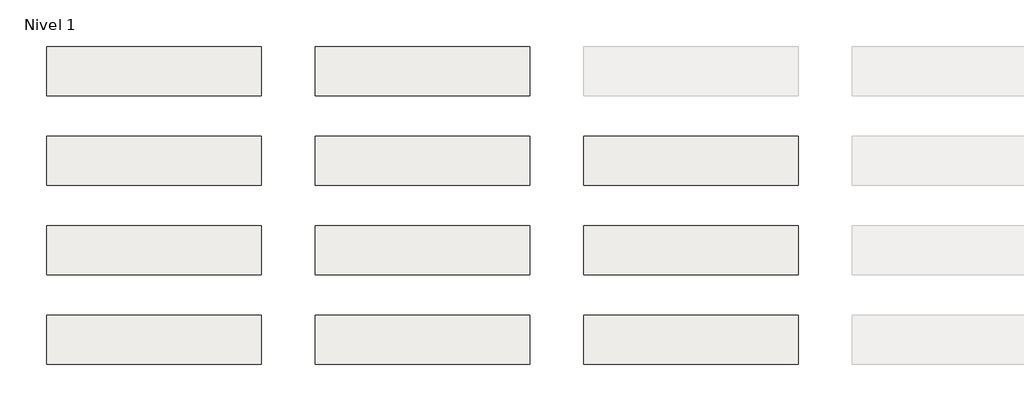
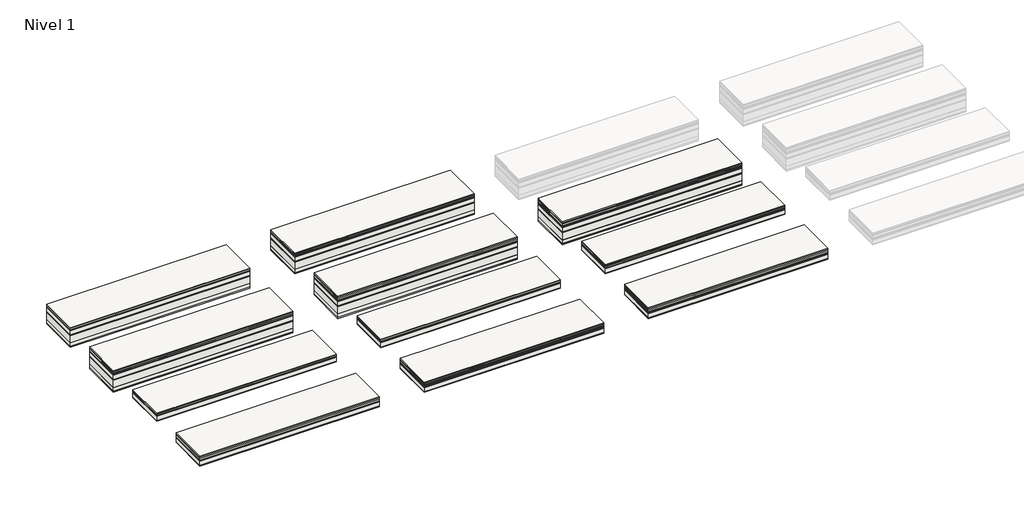
# One storey, part 1 of 2: 11 slabs.
"""IFC4 building model written with IfcOpenShell, lengths in millimetres."""

import ifcopenshell
import ifcopenshell.guid

model = None  # the IFC model being written
_history = None  # IfcOwnerHistory: only IFC2X3 demands one
_inside = {}  # id of a spatial element -> (the spatial element, [elements in it])
_under = {}  # id of a project, library or spatial element -> (it, [spatial elements below it])
_declared = {}  # id of a project -> (the project, [libraries it declares])
_typed = {}  # id of a type object -> (the type object, [elements of that type])
_made_of = {}  # id of a material, layer set ... -> (it, [elements and type objects made of it])


def new_model(schema):
    """Start an empty IFC model of exactly this schema.

    Asked for "IFC4X3", IfcOpenShell would pick the latest addendum, in which some entities
    have other attributes; the version numbers below select the first issue.
    IFC2X3 requires an IfcOwnerHistory on every rooted entity: one is made here for all.
    """
    global model, _history
    if schema == "IFC4X3":
        model = ifcopenshell.file(schema_version=(4, 3, 0, 0))
    else:
        model = ifcopenshell.file(schema=schema)
    _inside.clear()
    _under.clear()
    _declared.clear()
    _typed.clear()
    _made_of.clear()
    _history = None
    if model.schema == "IFC2X3":
        org = make("IfcOrganization", Name="unknown")
        user = make(
            "IfcPersonAndOrganization",
            ThePerson=make("IfcPerson", FamilyName="unknown"),
            TheOrganization=org,
        )
        app = make(
            "IfcApplication",
            ApplicationDeveloper=org,
            Version="unknown",
            ApplicationFullName="unknown",
            ApplicationIdentifier="unknown",
        )
        _history = make(
            "IfcOwnerHistory",
            OwningUser=user,
            OwningApplication=app,
            ChangeAction="ADDED",
            CreationDate=0,
        )
    return model


def make(cls, **values):
    """One entity of the class cls with the attributes given. An attribute that is None is left unset."""
    return model.create_entity(
        cls, **{name: value for name, value in values.items() if value is not None}
    )


def rooted(cls, **values):
    """An entity with a GlobalId (a new one), such as an element, a storey or a relation."""
    return make(cls, GlobalId=ifcopenshell.guid.new(), OwnerHistory=_history, **values)


def si_unit(unit_type, name, prefix=None):
    """IfcSIUnit, for example si_unit("LENGTHUNIT", "METRE", prefix="MILLI")."""
    return make("IfcSIUnit", UnitType=unit_type, Prefix=prefix, Name=name)


def assignment(units):
    """IfcUnitAssignment: the units of a project."""
    return None if units is None else make("IfcUnitAssignment", Units=units)


def point(xyz):
    """IfcCartesianPoint."""
    return None if xyz is None else make("IfcCartesianPoint", Coordinates=xyz)


def direction(xyz):
    """IfcDirection."""
    return None if xyz is None else make("IfcDirection", DirectionRatios=xyz)


def frame(location, z_axis=None, x_axis=None):
    """IfcAxis2Placement3D, a coordinate frame: its origin and axes. An axis left out is left unset."""
    return make(
        "IfcAxis2Placement3D",
        Location=point(location),
        Axis=direction(z_axis),
        RefDirection=direction(x_axis),
    )


def origin():
    """The frame at (0, 0, 0) with its axes left unset."""
    return frame((0.0, 0.0, 0.0))


def place(relative_to, where):
    """IfcLocalPlacement: puts the frame where relative to a parent placement (None: the world)."""
    return make(
        "IfcLocalPlacement", PlacementRelTo=relative_to, RelativePlacement=where
    )


def context(
    kind, dimensions, precision=None, world=None, true_north=None, identifier=None
):
    """IfcGeometricRepresentationContext, for example the 3D "Model" context."""
    return make(
        "IfcGeometricRepresentationContext",
        ContextIdentifier=identifier,
        ContextType=kind,
        CoordinateSpaceDimension=dimensions,
        Precision=precision,
        WorldCoordinateSystem=world,
        TrueNorth=true_north,
    )


def project(units=None, contexts=None):
    """IfcProject with its units and contexts."""
    return rooted(
        "IfcProject",
        Name="project",
        RepresentationContexts=contexts,
        UnitsInContext=assignment(units),
    )


def spatial(cls, under=None, at=None, **own):
    """A site, building, storey or space (cls), placed at a placement, below another one or the project."""
    s = rooted(cls, ObjectPlacement=at, **own)
    if under is not None:
        _under.setdefault(under.id(), (under, []))[1].append(s)
    return s


def polyline(points):
    """IfcPolyline through the points."""
    return make("IfcPolyline", Points=[point(p) for p in points])


def outline(outer, holes=None, kind="AREA"):
    """IfcArbitraryClosedProfileDef: a profile drawn as a closed curve; with holes, ...WithVoids."""
    if holes is None:
        return make("IfcArbitraryClosedProfileDef", ProfileType=kind, OuterCurve=outer)
    return make(
        "IfcArbitraryProfileDefWithVoids",
        ProfileType=kind,
        OuterCurve=outer,
        InnerCurves=holes,
    )


def extrude(swept, where, along, depth):
    """IfcExtrudedAreaSolid: the profile swept, set in the frame where, extruded along a direction by depth."""
    return make(
        "IfcExtrudedAreaSolid",
        SweptArea=swept,
        Position=where,
        ExtrudedDirection=direction(along),
        Depth=depth,
    )


def shape(context_of_items, identifier, shape_type, items):
    """IfcShapeRepresentation: the items that make up one representation, for example the "Body"."""
    return make(
        "IfcShapeRepresentation",
        ContextOfItems=context_of_items,
        RepresentationIdentifier=identifier,
        RepresentationType=shape_type,
        Items=items,
    )


def made_of(thing, what):
    """Note that an element or type object is made of a material, layer set ...; save() writes the relation."""
    if what is not None:
        _made_of.setdefault(what.id(), (what, []))[1].append(thing)
    return thing


def element(
    cls,
    number,
    at=None,
    inside=None,
    cuts=None,
    type_object=None,
    material=None,
    context=None,
    identifier="Body",
    shape_type=None,
    held_by="IfcProductDefinitionShape",
    body=None,
    shapes=None,
    **own,
):
    """One element of the class cls, such as IfcWall. Its Tag is "e" and its number.

    at: its placement. inside: the storey or other place that contains it. cuts: it is an
    opening in that element (IfcRelVoidsElement). A single representation is given by context,
    identifier, shape_type and body (its items); several are given by shapes. held_by: the class
    of the entity that holds the representations. save() writes the other relations.
    """
    e = rooted(cls, Tag="e%d" % number, ObjectPlacement=at, **own)
    if body is not None:
        shapes = [shape(context, identifier, shape_type, body)]
    if shapes is not None:
        e.Representation = make(held_by, Representations=shapes)
    if inside is not None:
        _inside.setdefault(inside.id(), (inside, []))[1].append(e)
    if cuts is not None:
        rooted(
            "IfcRelVoidsElement", RelatingBuildingElement=cuts, RelatedOpeningElement=e
        )
    if type_object is not None:
        _typed.setdefault(type_object.id(), (type_object, []))[1].append(e)
    return made_of(e, material)


def aggregate(whole, parts):
    """IfcRelAggregates: a whole, such as a stair, and the parts it consists of."""
    return rooted("IfcRelAggregates", RelatingObject=whole, RelatedObjects=parts)


def save(model, path):
    """Write the relations noted so far, then the file.

    IfcRelAggregates (storeys below a building ...), IfcRelContainedInSpatialStructure (elements
    in a storey), IfcRelDefinesByType, IfcRelAssociatesMaterial and IfcRelDeclares: one each for
    every whole, place, type object, material and project.
    """
    for whole, parts in _under.values():
        aggregate(whole, parts)
    for where, things in _inside.values():
        rooted(
            "IfcRelContainedInSpatialStructure",
            RelatedElements=things,
            RelatingStructure=where,
        )
    for kind, things in _typed.values():
        rooted("IfcRelDefinesByType", RelatedObjects=things, RelatingType=kind)
    for what, things in _made_of.values():
        rooted("IfcRelAssociatesMaterial", RelatedObjects=things, RelatingMaterial=what)
    for by, libraries in _declared.values():
        rooted("IfcRelDeclares", RelatingContext=by, RelatedDefinitions=libraries)
    model.write(path)


model = new_model("IFC4")

# Units and contexts
model_context = context("Model", 3, world=origin())
ifc_project = project(units=[si_unit("LENGTHUNIT", "METRE", prefix="MILLI")], contexts=[model_context])

# Site, building, storey
site = spatial("IfcSite", under=ifc_project)
building = spatial("IfcBuilding", under=site)
storey = spatial("IfcBuildingStorey", under=building, Name="Nivel 1", Elevation=0.0)

# Slabs
placement = place(None, origin())
element("IfcSlab", 1, at=placement, inside=storey, context=model_context, shape_type="SweptSolid", body=[
    extrude(outline(polyline([(1184.4345966, -2901.6608764), (1184.4345966, -3451.6608764), (-1215.5654034, -3451.6608764), (-1215.5654034, -2901.6608764), (1184.4345966, -2901.6608764)])), frame((0.0, 0.0, -10.0), z_axis=(0.0, 0.0, 1.0), x_axis=(1.0, 0.0, 0.0)), (0.0, 0.0, 1.0), 10.0),
    extrude(outline(polyline([(1184.4345966, -2901.6608764), (1184.4345966, -3451.6608764), (-1215.5654034, -3451.6608764), (-1215.5654034, -2901.6608764), (1184.4345966, -2901.6608764)])), frame((0.0, 0.0, -30.0), z_axis=(0.0, 0.0, 1.0), x_axis=(1.0, 0.0, 0.0)), (0.0, 0.0, 1.0), 20.0),
    extrude(outline(polyline([(1184.4345966, -2901.6608764), (1184.4345966, -3451.6608764), (-1215.5654034, -3451.6608764), (-1215.5654034, -2901.6608764), (1184.4345966, -2901.6608764)])), frame((0.0, 0.0, -42.5), z_axis=(0.0, 0.0, 1.0), x_axis=(1.0, 0.0, 0.0)), (0.0, 0.0, 1.0), 12.5),
    extrude(outline(polyline([(1184.4345966, -2901.6608764), (1184.4345966, -3451.6608764), (-1215.5654034, -3451.6608764), (-1215.5654034, -2901.6608764), (1184.4345966, -2901.6608764)])), frame((0.0, 0.0, -102.5), z_axis=(0.0, 0.0, 1.0), x_axis=(1.0, 0.0, 0.0)), (0.0, 0.0, 1.0), 60.0),
    extrude(outline(polyline([(1184.4345966, -2901.6608764), (1184.4345966, -3451.6608764), (-1215.5654034, -3451.6608764), (-1215.5654034, -2901.6608764), (1184.4345966, -2901.6608764)])), frame((0.0, 0.0, -115.0), z_axis=(0.0, 0.0, 1.0), x_axis=(1.0, 0.0, 0.0)), (0.0, 0.0, 1.0), 12.5),
    extrude(outline(polyline([(1184.4345966, -2901.6608764), (1184.4345966, -3451.6608764), (-1215.5654034, -3451.6608764), (-1215.5654034, -2901.6608764), (1184.4345966, -2901.6608764)])), frame((0.0, 0.0, -215.0), z_axis=(0.0, 0.0, 1.0), x_axis=(1.0, 0.0, 0.0)), (0.0, 0.0, 1.0), 100.0),
    extrude(outline(polyline([(1184.4345966, -2901.6608764), (1184.4345966, -3451.6608764), (-1215.5654034, -3451.6608764), (-1215.5654034, -2901.6608764), (1184.4345966, -2901.6608764)])), frame((0.0, 0.0, -265.0), z_axis=(0.0, 0.0, 1.0), x_axis=(1.0, 0.0, 0.0)), (0.0, 0.0, 1.0), 50.0),
    extrude(outline(polyline([(1184.4345966, -2901.6608764), (1184.4345966, -3451.6608764), (-1215.5654034, -3451.6608764), (-1215.5654034, -2901.6608764), (1184.4345966, -2901.6608764)])), frame((0.0, 0.0, -280.0), z_axis=(0.0, 0.0, 1.0), x_axis=(1.0, 0.0, 0.0)), (0.0, 0.0, 1.0), 15.0),
])
element("IfcSlab", 2, at=placement, inside=storey, context=model_context, shape_type="SweptSolid", body=[
    extrude(outline(polyline([(1184.4345966, -3901.6608764), (1184.4345966, -4451.6608764), (-1215.5654034, -4451.6608764), (-1215.5654034, -3901.6608764), (1184.4345966, -3901.6608764)])), frame((0.0, 0.0, -15.0), z_axis=(0.0, 0.0, 1.0), x_axis=(1.0, 0.0, 0.0)), (0.0, 0.0, 1.0), 15.0),
    extrude(outline(polyline([(1184.4345966, -3901.6608764), (1184.4345966, -4451.6608764), (-1215.5654034, -4451.6608764), (-1215.5654034, -3901.6608764), (1184.4345966, -3901.6608764)])), frame((0.0, 0.0, -55.0), z_axis=(0.0, 0.0, 1.0), x_axis=(1.0, 0.0, 0.0)), (0.0, 0.0, 1.0), 20.0),
    extrude(outline(polyline([(1184.4345966, -3901.6608764), (1184.4345966, -4451.6608764), (-1215.5654034, -4451.6608764), (-1215.5654034, -3901.6608764), (1184.4345966, -3901.6608764)])), frame((0.0, 0.0, -67.5), z_axis=(0.0, 0.0, 1.0), x_axis=(1.0, 0.0, 0.0)), (0.0, 0.0, 1.0), 12.5),
    extrude(outline(polyline([(1184.4345966, -3901.6608764), (1184.4345966, -4451.6608764), (-1215.5654034, -4451.6608764), (-1215.5654034, -3901.6608764), (1184.4345966, -3901.6608764)])), frame((0.0, 0.0, -127.5), z_axis=(0.0, 0.0, 1.0), x_axis=(1.0, 0.0, 0.0)), (0.0, 0.0, 1.0), 60.0),
    extrude(outline(polyline([(1184.4345966, -3901.6608764), (1184.4345966, -4451.6608764), (-1215.5654034, -4451.6608764), (-1215.5654034, -3901.6608764), (1184.4345966, -3901.6608764)])), frame((0.0, 0.0, -140.0), z_axis=(0.0, 0.0, 1.0), x_axis=(1.0, 0.0, 0.0)), (0.0, 0.0, 1.0), 12.5),
    extrude(outline(polyline([(1184.4345966, -3901.6608764), (1184.4345966, -4451.6608764), (-1215.5654034, -4451.6608764), (-1215.5654034, -3901.6608764), (1184.4345966, -3901.6608764)])), frame((0.0, 0.0, -240.0), z_axis=(0.0, 0.0, 1.0), x_axis=(1.0, 0.0, 0.0)), (0.0, 0.0, 1.0), 100.0),
    extrude(outline(polyline([(1184.4345966, -3901.6608764), (1184.4345966, -4451.6608764), (-1215.5654034, -4451.6608764), (-1215.5654034, -3901.6608764), (1184.4345966, -3901.6608764)])), frame((0.0, 0.0, -290.0), z_axis=(0.0, 0.0, 1.0), x_axis=(1.0, 0.0, 0.0)), (0.0, 0.0, 1.0), 50.0),
    extrude(outline(polyline([(1184.4345966, -3901.6608764), (1184.4345966, -4451.6608764), (-1215.5654034, -4451.6608764), (-1215.5654034, -3901.6608764), (1184.4345966, -3901.6608764)])), frame((0.0, 0.0, -305.0), z_axis=(0.0, 0.0, 1.0), x_axis=(1.0, 0.0, 0.0)), (0.0, 0.0, 1.0), 15.0),
    extrude(outline(polyline([(1184.4345966, -3901.6608764), (1184.4345966, -4451.6608764), (-1215.5654034, -4451.6608764), (-1215.5654034, -3901.6608764), (1184.4345966, -3901.6608764)])), frame((0.0, 0.0, -35.0), z_axis=(0.0, 0.0, 1.0), x_axis=(1.0, 0.0, 0.0)), (0.0, 0.0, 1.0), 20.0),
])
element("IfcSlab", 3, at=placement, inside=storey, context=model_context, shape_type="SweptSolid", body=[
    extrude(outline(polyline([(1184.4345966, -4901.6608764), (1184.4345966, -5451.6608764), (-1215.5654034, -5451.6608764), (-1215.5654034, -4901.6608764), (1184.4345966, -4901.6608764)])), frame((0.0, 0.0, -10.0), z_axis=(0.0, 0.0, 1.0), x_axis=(1.0, 0.0, 0.0)), (0.0, 0.0, 1.0), 10.0),
    extrude(outline(polyline([(1184.4345966, -4901.6608764), (1184.4345966, -5451.6608764), (-1215.5654034, -5451.6608764), (-1215.5654034, -4901.6608764), (1184.4345966, -4901.6608764)])), frame((0.0, 0.0, -30.0), z_axis=(0.0, 0.0, 1.0), x_axis=(1.0, 0.0, 0.0)), (0.0, 0.0, 1.0), 20.0),
    extrude(outline(polyline([(1184.4345966, -4901.6608764), (1184.4345966, -5451.6608764), (-1215.5654034, -5451.6608764), (-1215.5654034, -4901.6608764), (1184.4345966, -4901.6608764)])), frame((0.0, 0.0, -42.5), z_axis=(0.0, 0.0, 1.0), x_axis=(1.0, 0.0, 0.0)), (0.0, 0.0, 1.0), 12.5),
    extrude(outline(polyline([(1184.4345966, -4901.6608764), (1184.4345966, -5451.6608764), (-1215.5654034, -5451.6608764), (-1215.5654034, -4901.6608764), (1184.4345966, -4901.6608764)])), frame((0.0, 0.0, -102.5), z_axis=(0.0, 0.0, 1.0), x_axis=(1.0, 0.0, 0.0)), (0.0, 0.0, 1.0), 60.0),
    extrude(outline(polyline([(1184.4345966, -4901.6608764), (1184.4345966, -5451.6608764), (-1215.5654034, -5451.6608764), (-1215.5654034, -4901.6608764), (1184.4345966, -4901.6608764)])), frame((0.0, 0.0, -112.5), z_axis=(0.0, 0.0, 1.0), x_axis=(1.0, 0.0, 0.0)), (0.0, 0.0, 1.0), 10.0),
])
element("IfcSlab", 4, at=placement, inside=storey, context=model_context, shape_type="SweptSolid", body=[
    extrude(outline(polyline([(1184.4345966, -5901.6608764), (1184.4345966, -6451.6608764), (-1215.5654034, -6451.6608764), (-1215.5654034, -5901.6608764), (1184.4345966, -5901.6608764)])), frame((0.0, 0.0, -15.0), z_axis=(0.0, 0.0, 1.0), x_axis=(1.0, 0.0, 0.0)), (0.0, 0.0, 1.0), 15.0),
    extrude(outline(polyline([(1184.4345966, -5901.6608764), (1184.4345966, -6451.6608764), (-1215.5654034, -6451.6608764), (-1215.5654034, -5901.6608764), (1184.4345966, -5901.6608764)])), frame((0.0, 0.0, -55.0), z_axis=(0.0, 0.0, 1.0), x_axis=(1.0, 0.0, 0.0)), (0.0, 0.0, 1.0), 20.0),
    extrude(outline(polyline([(1184.4345966, -5901.6608764), (1184.4345966, -6451.6608764), (-1215.5654034, -6451.6608764), (-1215.5654034, -5901.6608764), (1184.4345966, -5901.6608764)])), frame((0.0, 0.0, -67.5), z_axis=(0.0, 0.0, 1.0), x_axis=(1.0, 0.0, 0.0)), (0.0, 0.0, 1.0), 12.5),
    extrude(outline(polyline([(1184.4345966, -5901.6608764), (1184.4345966, -6451.6608764), (-1215.5654034, -6451.6608764), (-1215.5654034, -5901.6608764), (1184.4345966, -5901.6608764)])), frame((0.0, 0.0, -127.5), z_axis=(0.0, 0.0, 1.0), x_axis=(1.0, 0.0, 0.0)), (0.0, 0.0, 1.0), 60.0),
    extrude(outline(polyline([(1184.4345966, -5901.6608764), (1184.4345966, -6451.6608764), (-1215.5654034, -6451.6608764), (-1215.5654034, -5901.6608764), (1184.4345966, -5901.6608764)])), frame((0.0, 0.0, -137.5), z_axis=(0.0, 0.0, 1.0), x_axis=(1.0, 0.0, 0.0)), (0.0, 0.0, 1.0), 10.0),
    extrude(outline(polyline([(1184.4345966, -5901.6608764), (1184.4345966, -6451.6608764), (-1215.5654034, -6451.6608764), (-1215.5654034, -5901.6608764), (1184.4345966, -5901.6608764)])), frame((0.0, 0.0, -35.0), z_axis=(0.0, 0.0, 1.0), x_axis=(1.0, 0.0, 0.0)), (0.0, 0.0, 1.0), 20.0),
])
element("IfcSlab", 5, at=placement, inside=storey, context=model_context, shape_type="SweptSolid", body=[
    extrude(outline(polyline([(4184.4345966, -2901.6608764), (4184.4345966, -3451.6608764), (1784.4345966, -3451.6608764), (1784.4345966, -2901.6608764), (4184.4345966, -2901.6608764)])), frame((0.0, 0.0, -10.0), z_axis=(0.0, 0.0, 1.0), x_axis=(1.0, 0.0, 0.0)), (0.0, 0.0, 1.0), 10.0),
    extrude(outline(polyline([(4184.4345966, -2901.6608764), (4184.4345966, -3451.6608764), (1784.4345966, -3451.6608764), (1784.4345966, -2901.6608764), (4184.4345966, -2901.6608764)])), frame((0.0, 0.0, -30.0), z_axis=(0.0, 0.0, 1.0), x_axis=(1.0, 0.0, 0.0)), (0.0, 0.0, 1.0), 20.0),
    extrude(outline(polyline([(4184.4345966, -2901.6608764), (4184.4345966, -3451.6608764), (1784.4345966, -3451.6608764), (1784.4345966, -2901.6608764), (4184.4345966, -2901.6608764)])), frame((0.0, 0.0, -40.0), z_axis=(0.0, 0.0, 1.0), x_axis=(1.0, 0.0, 0.0)), (0.0, 0.0, 1.0), 10.0),
    extrude(outline(polyline([(4184.4345966, -2901.6608764), (4184.4345966, -3451.6608764), (1784.4345966, -3451.6608764), (1784.4345966, -2901.6608764), (4184.4345966, -2901.6608764)])), frame((0.0, 0.0, -52.5), z_axis=(0.0, 0.0, 1.0), x_axis=(1.0, 0.0, 0.0)), (0.0, 0.0, 1.0), 12.5),
    extrude(outline(polyline([(4184.4345966, -2901.6608764), (4184.4345966, -3451.6608764), (1784.4345966, -3451.6608764), (1784.4345966, -2901.6608764), (4184.4345966, -2901.6608764)])), frame((0.0, 0.0, -112.5), z_axis=(0.0, 0.0, 1.0), x_axis=(1.0, 0.0, 0.0)), (0.0, 0.0, 1.0), 60.0),
    extrude(outline(polyline([(4184.4345966, -2901.6608764), (4184.4345966, -3451.6608764), (1784.4345966, -3451.6608764), (1784.4345966, -2901.6608764), (4184.4345966, -2901.6608764)])), frame((0.0, 0.0, -125.0), z_axis=(0.0, 0.0, 1.0), x_axis=(1.0, 0.0, 0.0)), (0.0, 0.0, 1.0), 12.5),
    extrude(outline(polyline([(4184.4345966, -2901.6608764), (4184.4345966, -3451.6608764), (1784.4345966, -3451.6608764), (1784.4345966, -2901.6608764), (4184.4345966, -2901.6608764)])), frame((0.0, 0.0, -225.0), z_axis=(0.0, 0.0, 1.0), x_axis=(1.0, 0.0, 0.0)), (0.0, 0.0, 1.0), 100.0),
    extrude(outline(polyline([(4184.4345966, -2901.6608764), (4184.4345966, -3451.6608764), (1784.4345966, -3451.6608764), (1784.4345966, -2901.6608764), (4184.4345966, -2901.6608764)])), frame((0.0, 0.0, -275.0), z_axis=(0.0, 0.0, 1.0), x_axis=(1.0, 0.0, 0.0)), (0.0, 0.0, 1.0), 50.0),
    extrude(outline(polyline([(4184.4345966, -2901.6608764), (4184.4345966, -3451.6608764), (1784.4345966, -3451.6608764), (1784.4345966, -2901.6608764), (4184.4345966, -2901.6608764)])), frame((0.0, 0.0, -290.0), z_axis=(0.0, 0.0, 1.0), x_axis=(1.0, 0.0, 0.0)), (0.0, 0.0, 1.0), 15.0),
])
element("IfcSlab", 6, at=placement, inside=storey, context=model_context, shape_type="SweptSolid", body=[
    extrude(outline(polyline([(4184.4345966, -3901.6608764), (4184.4345966, -4451.6608764), (1784.4345966, -4451.6608764), (1784.4345966, -3901.6608764), (4184.4345966, -3901.6608764)])), frame((0.0, 0.0, -15.0), z_axis=(0.0, 0.0, 1.0), x_axis=(1.0, 0.0, 0.0)), (0.0, 0.0, 1.0), 15.0),
    extrude(outline(polyline([(4184.4345966, -3901.6608764), (4184.4345966, -4451.6608764), (1784.4345966, -4451.6608764), (1784.4345966, -3901.6608764), (4184.4345966, -3901.6608764)])), frame((0.0, 0.0, -55.0), z_axis=(0.0, 0.0, 1.0), x_axis=(1.0, 0.0, 0.0)), (0.0, 0.0, 1.0), 20.0),
    extrude(outline(polyline([(4184.4345966, -3901.6608764), (4184.4345966, -4451.6608764), (1784.4345966, -4451.6608764), (1784.4345966, -3901.6608764), (4184.4345966, -3901.6608764)])), frame((0.0, 0.0, -65.0), z_axis=(0.0, 0.0, 1.0), x_axis=(1.0, 0.0, 0.0)), (0.0, 0.0, 1.0), 10.0),
    extrude(outline(polyline([(4184.4345966, -3901.6608764), (4184.4345966, -4451.6608764), (1784.4345966, -4451.6608764), (1784.4345966, -3901.6608764), (4184.4345966, -3901.6608764)])), frame((0.0, 0.0, -77.5), z_axis=(0.0, 0.0, 1.0), x_axis=(1.0, 0.0, 0.0)), (0.0, 0.0, 1.0), 12.5),
    extrude(outline(polyline([(4184.4345966, -3901.6608764), (4184.4345966, -4451.6608764), (1784.4345966, -4451.6608764), (1784.4345966, -3901.6608764), (4184.4345966, -3901.6608764)])), frame((0.0, 0.0, -137.5), z_axis=(0.0, 0.0, 1.0), x_axis=(1.0, 0.0, 0.0)), (0.0, 0.0, 1.0), 60.0),
    extrude(outline(polyline([(4184.4345966, -3901.6608764), (4184.4345966, -4451.6608764), (1784.4345966, -4451.6608764), (1784.4345966, -3901.6608764), (4184.4345966, -3901.6608764)])), frame((0.0, 0.0, -150.0), z_axis=(0.0, 0.0, 1.0), x_axis=(1.0, 0.0, 0.0)), (0.0, 0.0, 1.0), 12.5),
    extrude(outline(polyline([(4184.4345966, -3901.6608764), (4184.4345966, -4451.6608764), (1784.4345966, -4451.6608764), (1784.4345966, -3901.6608764), (4184.4345966, -3901.6608764)])), frame((0.0, 0.0, -250.0), z_axis=(0.0, 0.0, 1.0), x_axis=(1.0, 0.0, 0.0)), (0.0, 0.0, 1.0), 100.0),
    extrude(outline(polyline([(4184.4345966, -3901.6608764), (4184.4345966, -4451.6608764), (1784.4345966, -4451.6608764), (1784.4345966, -3901.6608764), (4184.4345966, -3901.6608764)])), frame((0.0, 0.0, -300.0), z_axis=(0.0, 0.0, 1.0), x_axis=(1.0, 0.0, 0.0)), (0.0, 0.0, 1.0), 50.0),
    extrude(outline(polyline([(4184.4345966, -3901.6608764), (4184.4345966, -4451.6608764), (1784.4345966, -4451.6608764), (1784.4345966, -3901.6608764), (4184.4345966, -3901.6608764)])), frame((0.0, 0.0, -35.0), z_axis=(0.0, 0.0, 1.0), x_axis=(1.0, 0.0, 0.0)), (0.0, 0.0, 1.0), 20.0),
    extrude(outline(polyline([(4184.4345966, -3901.6608764), (4184.4345966, -4451.6608764), (1784.4345966, -4451.6608764), (1784.4345966, -3901.6608764), (4184.4345966, -3901.6608764)])), frame((0.0, 0.0, -315.0), z_axis=(0.0, 0.0, 1.0), x_axis=(1.0, 0.0, 0.0)), (0.0, 0.0, 1.0), 15.0),
])
element("IfcSlab", 7, at=placement, inside=storey, context=model_context, shape_type="SweptSolid", body=[
    extrude(outline(polyline([(4184.4345966, -4901.6608764), (4184.4345966, -5451.6608764), (1784.4345966, -5451.6608764), (1784.4345966, -4901.6608764), (4184.4345966, -4901.6608764)])), frame((0.0, 0.0, -10.0), z_axis=(0.0, 0.0, 1.0), x_axis=(1.0, 0.0, 0.0)), (0.0, 0.0, 1.0), 10.0),
    extrude(outline(polyline([(4184.4345966, -4901.6608764), (4184.4345966, -5451.6608764), (1784.4345966, -5451.6608764), (1784.4345966, -4901.6608764), (4184.4345966, -4901.6608764)])), frame((0.0, 0.0, -30.0), z_axis=(0.0, 0.0, 1.0), x_axis=(1.0, 0.0, 0.0)), (0.0, 0.0, 1.0), 20.0),
    extrude(outline(polyline([(4184.4345966, -4901.6608764), (4184.4345966, -5451.6608764), (1784.4345966, -5451.6608764), (1784.4345966, -4901.6608764), (4184.4345966, -4901.6608764)])), frame((0.0, 0.0, -40.0), z_axis=(0.0, 0.0, 1.0), x_axis=(1.0, 0.0, 0.0)), (0.0, 0.0, 1.0), 10.0),
    extrude(outline(polyline([(4184.4345966, -4901.6608764), (4184.4345966, -5451.6608764), (1784.4345966, -5451.6608764), (1784.4345966, -4901.6608764), (4184.4345966, -4901.6608764)])), frame((0.0, 0.0, -52.5), z_axis=(0.0, 0.0, 1.0), x_axis=(1.0, 0.0, 0.0)), (0.0, 0.0, 1.0), 12.5),
    extrude(outline(polyline([(4184.4345966, -4901.6608764), (4184.4345966, -5451.6608764), (1784.4345966, -5451.6608764), (1784.4345966, -4901.6608764), (4184.4345966, -4901.6608764)])), frame((0.0, 0.0, -112.5), z_axis=(0.0, 0.0, 1.0), x_axis=(1.0, 0.0, 0.0)), (0.0, 0.0, 1.0), 60.0),
    extrude(outline(polyline([(4184.4345966, -4901.6608764), (4184.4345966, -5451.6608764), (1784.4345966, -5451.6608764), (1784.4345966, -4901.6608764), (4184.4345966, -4901.6608764)])), frame((0.0, 0.0, -122.5), z_axis=(0.0, 0.0, 1.0), x_axis=(1.0, 0.0, 0.0)), (0.0, 0.0, 1.0), 10.0),
])
element("IfcSlab", 8, at=placement, inside=storey, context=model_context, shape_type="SweptSolid", body=[
    extrude(outline(polyline([(4184.4345966, -5901.6608764), (4184.4345966, -6451.6608764), (1784.4345966, -6451.6608764), (1784.4345966, -5901.6608764), (4184.4345966, -5901.6608764)])), frame((0.0, 0.0, -15.0), z_axis=(0.0, 0.0, 1.0), x_axis=(1.0, 0.0, 0.0)), (0.0, 0.0, 1.0), 15.0),
    extrude(outline(polyline([(4184.4345966, -5901.6608764), (4184.4345966, -6451.6608764), (1784.4345966, -6451.6608764), (1784.4345966, -5901.6608764), (4184.4345966, -5901.6608764)])), frame((0.0, 0.0, -55.0), z_axis=(0.0, 0.0, 1.0), x_axis=(1.0, 0.0, 0.0)), (0.0, 0.0, 1.0), 20.0),
    extrude(outline(polyline([(4184.4345966, -5901.6608764), (4184.4345966, -6451.6608764), (1784.4345966, -6451.6608764), (1784.4345966, -5901.6608764), (4184.4345966, -5901.6608764)])), frame((0.0, 0.0, -65.0), z_axis=(0.0, 0.0, 1.0), x_axis=(1.0, 0.0, 0.0)), (0.0, 0.0, 1.0), 10.0),
    extrude(outline(polyline([(4184.4345966, -5901.6608764), (4184.4345966, -6451.6608764), (1784.4345966, -6451.6608764), (1784.4345966, -5901.6608764), (4184.4345966, -5901.6608764)])), frame((0.0, 0.0, -77.5), z_axis=(0.0, 0.0, 1.0), x_axis=(1.0, 0.0, 0.0)), (0.0, 0.0, 1.0), 12.5),
    extrude(outline(polyline([(4184.4345966, -5901.6608764), (4184.4345966, -6451.6608764), (1784.4345966, -6451.6608764), (1784.4345966, -5901.6608764), (4184.4345966, -5901.6608764)])), frame((0.0, 0.0, -137.5), z_axis=(0.0, 0.0, 1.0), x_axis=(1.0, 0.0, 0.0)), (0.0, 0.0, 1.0), 60.0),
    extrude(outline(polyline([(4184.4345966, -5901.6608764), (4184.4345966, -6451.6608764), (1784.4345966, -6451.6608764), (1784.4345966, -5901.6608764), (4184.4345966, -5901.6608764)])), frame((0.0, 0.0, -35.0), z_axis=(0.0, 0.0, 1.0), x_axis=(1.0, 0.0, 0.0)), (0.0, 0.0, 1.0), 20.0),
    extrude(outline(polyline([(4184.4345966, -5901.6608764), (4184.4345966, -6451.6608764), (1784.4345966, -6451.6608764), (1784.4345966, -5901.6608764), (4184.4345966, -5901.6608764)])), frame((0.0, 0.0, -147.5), z_axis=(0.0, 0.0, 1.0), x_axis=(1.0, 0.0, 0.0)), (0.0, 0.0, 1.0), 10.0),
])
element("IfcSlab", 9, at=placement, inside=storey, context=model_context, shape_type="SweptSolid", body=[
    extrude(outline(polyline([(7184.4345966, -3901.6608764), (7184.4345966, -4451.6608764), (4784.4345966, -4451.6608764), (4784.4345966, -3901.6608764), (7184.4345966, -3901.6608764)])), frame((0.0, 0.0, -15.0), z_axis=(0.0, 0.0, 1.0), x_axis=(1.0, 0.0, 0.0)), (0.0, 0.0, 1.0), 15.0),
    extrude(outline(polyline([(7184.4345966, -3901.6608764), (7184.4345966, -4451.6608764), (4784.4345966, -4451.6608764), (4784.4345966, -3901.6608764), (7184.4345966, -3901.6608764)])), frame((0.0, 0.0, -55.0), z_axis=(0.0, 0.0, 1.0), x_axis=(1.0, 0.0, 0.0)), (0.0, 0.0, 1.0), 20.0),
    extrude(outline(polyline([(7184.4345966, -3901.6608764), (7184.4345966, -4451.6608764), (4784.4345966, -4451.6608764), (4784.4345966, -3901.6608764), (7184.4345966, -3901.6608764)])), frame((0.0, 0.0, -70.0), z_axis=(0.0, 0.0, 1.0), x_axis=(1.0, 0.0, 0.0)), (0.0, 0.0, 1.0), 15.0),
    extrude(outline(polyline([(7184.4345966, -3901.6608764), (7184.4345966, -4451.6608764), (4784.4345966, -4451.6608764), (4784.4345966, -3901.6608764), (7184.4345966, -3901.6608764)])), frame((0.0, 0.0, -82.5), z_axis=(0.0, 0.0, 1.0), x_axis=(1.0, 0.0, 0.0)), (0.0, 0.0, 1.0), 12.5),
    extrude(outline(polyline([(7184.4345966, -3901.6608764), (7184.4345966, -4451.6608764), (4784.4345966, -4451.6608764), (4784.4345966, -3901.6608764), (7184.4345966, -3901.6608764)])), frame((0.0, 0.0, -142.5), z_axis=(0.0, 0.0, 1.0), x_axis=(1.0, 0.0, 0.0)), (0.0, 0.0, 1.0), 60.0),
    extrude(outline(polyline([(7184.4345966, -3901.6608764), (7184.4345966, -4451.6608764), (4784.4345966, -4451.6608764), (4784.4345966, -3901.6608764), (7184.4345966, -3901.6608764)])), frame((0.0, 0.0, -155.0), z_axis=(0.0, 0.0, 1.0), x_axis=(1.0, 0.0, 0.0)), (0.0, 0.0, 1.0), 12.5),
    extrude(outline(polyline([(7184.4345966, -3901.6608764), (7184.4345966, -4451.6608764), (4784.4345966, -4451.6608764), (4784.4345966, -3901.6608764), (7184.4345966, -3901.6608764)])), frame((0.0, 0.0, -255.0), z_axis=(0.0, 0.0, 1.0), x_axis=(1.0, 0.0, 0.0)), (0.0, 0.0, 1.0), 100.0),
    extrude(outline(polyline([(7184.4345966, -3901.6608764), (7184.4345966, -4451.6608764), (4784.4345966, -4451.6608764), (4784.4345966, -3901.6608764), (7184.4345966, -3901.6608764)])), frame((0.0, 0.0, -35.0), z_axis=(0.0, 0.0, 1.0), x_axis=(1.0, 0.0, 0.0)), (0.0, 0.0, 1.0), 20.0),
    extrude(outline(polyline([(7184.4345966, -3901.6608764), (7184.4345966, -4451.6608764), (4784.4345966, -4451.6608764), (4784.4345966, -3901.6608764), (7184.4345966, -3901.6608764)])), frame((0.0, 0.0, -305.0), z_axis=(0.0, 0.0, 1.0), x_axis=(1.0, 0.0, 0.0)), (0.0, 0.0, 1.0), 50.0),
    extrude(outline(polyline([(7184.4345966, -3901.6608764), (7184.4345966, -4451.6608764), (4784.4345966, -4451.6608764), (4784.4345966, -3901.6608764), (7184.4345966, -3901.6608764)])), frame((0.0, 0.0, -320.0), z_axis=(0.0, 0.0, 1.0), x_axis=(1.0, 0.0, 0.0)), (0.0, 0.0, 1.0), 15.0),
])
element("IfcSlab", 10, at=placement, inside=storey, context=model_context, shape_type="SweptSolid", body=[
    extrude(outline(polyline([(7184.4345966, -4901.6608764), (7184.4345966, -5451.6608764), (4784.4345966, -5451.6608764), (4784.4345966, -4901.6608764), (7184.4345966, -4901.6608764)])), frame((0.0, 0.0, -10.0), z_axis=(0.0, 0.0, 1.0), x_axis=(1.0, 0.0, 0.0)), (0.0, 0.0, 1.0), 10.0),
    extrude(outline(polyline([(7184.4345966, -4901.6608764), (7184.4345966, -5451.6608764), (4784.4345966, -5451.6608764), (4784.4345966, -4901.6608764), (7184.4345966, -4901.6608764)])), frame((0.0, 0.0, -30.0), z_axis=(0.0, 0.0, 1.0), x_axis=(1.0, 0.0, 0.0)), (0.0, 0.0, 1.0), 20.0),
    extrude(outline(polyline([(7184.4345966, -4901.6608764), (7184.4345966, -5451.6608764), (4784.4345966, -5451.6608764), (4784.4345966, -4901.6608764), (7184.4345966, -4901.6608764)])), frame((0.0, 0.0, -45.0), z_axis=(0.0, 0.0, 1.0), x_axis=(1.0, 0.0, 0.0)), (0.0, 0.0, 1.0), 15.0),
    extrude(outline(polyline([(7184.4345966, -4901.6608764), (7184.4345966, -5451.6608764), (4784.4345966, -5451.6608764), (4784.4345966, -4901.6608764), (7184.4345966, -4901.6608764)])), frame((0.0, 0.0, -57.5), z_axis=(0.0, 0.0, 1.0), x_axis=(1.0, 0.0, 0.0)), (0.0, 0.0, 1.0), 12.5),
    extrude(outline(polyline([(7184.4345966, -4901.6608764), (7184.4345966, -5451.6608764), (4784.4345966, -5451.6608764), (4784.4345966, -4901.6608764), (7184.4345966, -4901.6608764)])), frame((0.0, 0.0, -117.5), z_axis=(0.0, 0.0, 1.0), x_axis=(1.0, 0.0, 0.0)), (0.0, 0.0, 1.0), 60.0),
    extrude(outline(polyline([(7184.4345966, -4901.6608764), (7184.4345966, -5451.6608764), (4784.4345966, -5451.6608764), (4784.4345966, -4901.6608764), (7184.4345966, -4901.6608764)])), frame((0.0, 0.0, -127.5), z_axis=(0.0, 0.0, 1.0), x_axis=(1.0, 0.0, 0.0)), (0.0, 0.0, 1.0), 10.0),
])
element("IfcSlab", 11, at=placement, inside=storey, context=model_context, shape_type="SweptSolid", body=[
    extrude(outline(polyline([(7184.4345966, -5901.6608764), (7184.4345966, -6451.6608764), (4784.4345966, -6451.6608764), (4784.4345966, -5901.6608764), (7184.4345966, -5901.6608764)])), frame((0.0, 0.0, -15.0), z_axis=(0.0, 0.0, 1.0), x_axis=(1.0, 0.0, 0.0)), (0.0, 0.0, 1.0), 15.0),
    extrude(outline(polyline([(7184.4345966, -5901.6608764), (7184.4345966, -6451.6608764), (4784.4345966, -6451.6608764), (4784.4345966, -5901.6608764), (7184.4345966, -5901.6608764)])), frame((0.0, 0.0, -55.0), z_axis=(0.0, 0.0, 1.0), x_axis=(1.0, 0.0, 0.0)), (0.0, 0.0, 1.0), 20.0),
    extrude(outline(polyline([(7184.4345966, -5901.6608764), (7184.4345966, -6451.6608764), (4784.4345966, -6451.6608764), (4784.4345966, -5901.6608764), (7184.4345966, -5901.6608764)])), frame((0.0, 0.0, -70.0), z_axis=(0.0, 0.0, 1.0), x_axis=(1.0, 0.0, 0.0)), (0.0, 0.0, 1.0), 15.0),
    extrude(outline(polyline([(7184.4345966, -5901.6608764), (7184.4345966, -6451.6608764), (4784.4345966, -6451.6608764), (4784.4345966, -5901.6608764), (7184.4345966, -5901.6608764)])), frame((0.0, 0.0, -82.5), z_axis=(0.0, 0.0, 1.0), x_axis=(1.0, 0.0, 0.0)), (0.0, 0.0, 1.0), 12.5),
    extrude(outline(polyline([(7184.4345966, -5901.6608764), (7184.4345966, -6451.6608764), (4784.4345966, -6451.6608764), (4784.4345966, -5901.6608764), (7184.4345966, -5901.6608764)])), frame((0.0, 0.0, -35.0), z_axis=(0.0, 0.0, 1.0), x_axis=(1.0, 0.0, 0.0)), (0.0, 0.0, 1.0), 20.0),
    extrude(outline(polyline([(7184.4345966, -5901.6608764), (7184.4345966, -6451.6608764), (4784.4345966, -6451.6608764), (4784.4345966, -5901.6608764), (7184.4345966, -5901.6608764)])), frame((0.0, 0.0, -142.5), z_axis=(0.0, 0.0, 1.0), x_axis=(1.0, 0.0, 0.0)), (0.0, 0.0, 1.0), 60.0),
    extrude(outline(polyline([(7184.4345966, -5901.6608764), (7184.4345966, -6451.6608764), (4784.4345966, -6451.6608764), (4784.4345966, -5901.6608764), (7184.4345966, -5901.6608764)])), frame((0.0, 0.0, -152.5), z_axis=(0.0, 0.0, 1.0), x_axis=(1.0, 0.0, 0.0)), (0.0, 0.0, 1.0), 10.0),
])

save(model, "model.ifc")
